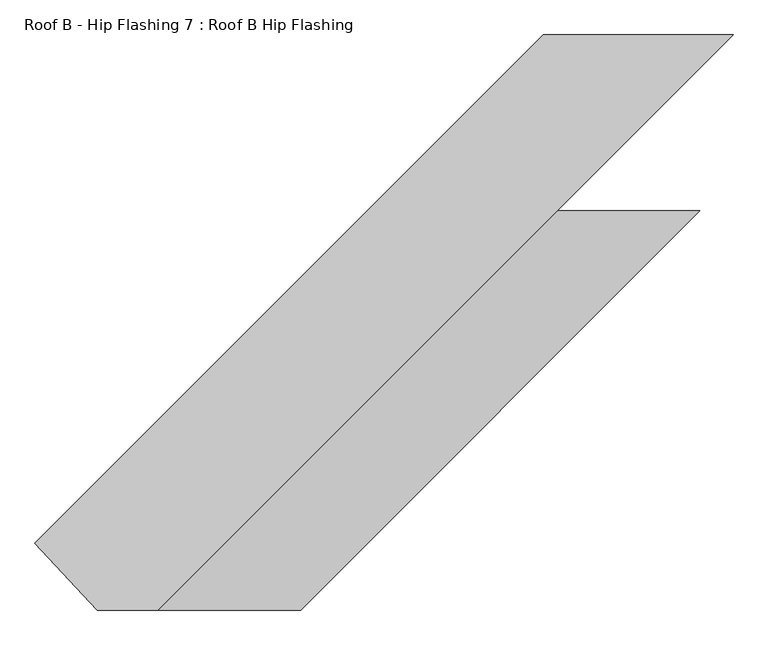
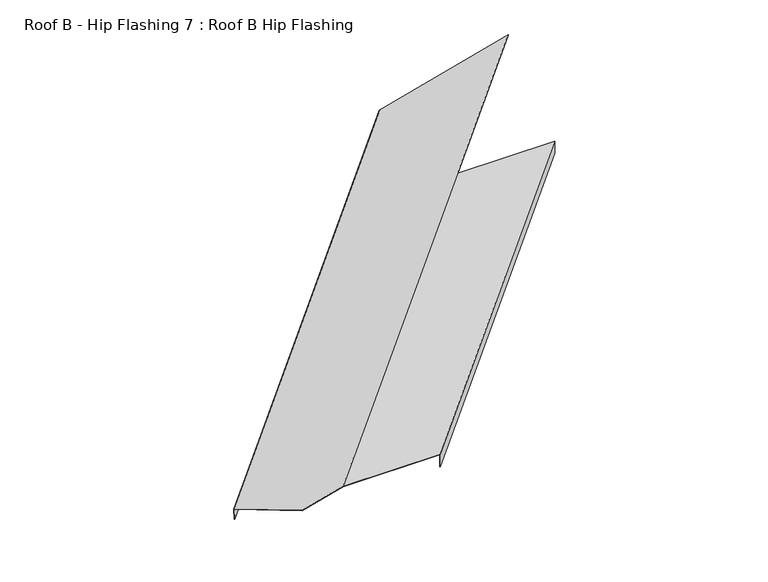
"""IFC4 building model written with IfcOpenShell, lengths in millimetres: proxy geometry, Roof B - Hip Flashing 7 : Roof B Hip Flashing."""

from ifc_helpers import new_model, si_unit, origin, place, context, project, spatial, faceted_brep, source, transform, mapped, element, save


def roof_b_hip_flashing_7_roof_b_hip_flashing_9b15dd72(model_context):
    return source(origin(), model_context, "Body", "Brep", [
        faceted_brep([(44387.4191087, -4107.2173158, 3218.0023302), (44393.1864222, -4101.4500024, 3174.9545168), (44394.317793, -4102.5813732, 3174.9545168), (44388.7255033, -4108.173663, 3216.6959357), (44535.4628149, -4265.4462395, 3256.0140798), (44535.0487044, -4265.4462395, 3257.5595611), (45590.1765594, -2904.4598651, 3540.2802178), (45590.1765594, -2904.4598651, 3495.6870574), (44678.703301, -4265.4462395, 3296.0516943), (45623.0204559, -3321.1290846, 3549.0807133), (46039.6969965, -2904.467712, 3660.7288559), (45016.984273, -4265.4462395, 3296.0516943), (45961.3014279, -3321.1290846, 3549.0807133), (45016.984273, -4265.4462395, 3250.2511023), (45961.3014279, -3321.1290846, 3503.2801213), (45014.7215313, -4265.4462395, 3249.9479524), (45959.0386862, -3321.1290846, 3502.9769714), (45592.4393011, -2904.4598651, 3495.9902073), (45014.7215313, -4265.4462395, 3294.3952524), (45959.0386862, -3321.1290846, 3547.4242715), (44678.703301, -4265.4462395, 3294.3952524), (45623.0204559, -3321.1290846, 3547.4242715), (45592.4393011, -2904.4598651, 3539.2300757), (46039.6896754, -2904.4598651, 3659.0704523)], [[[0, 1, 2, 3, 4, 5]], [[1, 0, 6, 7]], [[0, 5, 8, 9, 10, 6]], [[8, 11, 12, 9]], [[11, 13, 14, 12]], [[13, 15, 16, 14]], [[2, 1, 7, 17]], [[15, 18, 19, 16]], [[18, 20, 21, 19]], [[4, 3, 22, 23, 21, 20]], [[3, 2, 17, 22]], [[5, 4, 20, 18, 15, 13, 11, 8]], [[7, 6, 10, 23, 22, 17]], [[9, 21, 23, 10]], [[21, 9, 12, 14, 16, 19]]]),
    ])


if __name__ == "__main__":
    model = new_model("IFC4")
    model_context = context("Model", 3, world=origin())
    ifc_project = project(units=[si_unit("LENGTHUNIT", "METRE", prefix="MILLI")], contexts=[model_context])
    site = spatial("IfcSite", under=ifc_project)
    building = spatial("IfcBuilding", under=site)
    placement = place(None, origin())
    roof_b_hip_flashing_7_roof_b_hip_flashing_shape = roof_b_hip_flashing_7_roof_b_hip_flashing_9b15dd72(model_context)
    element("IfcBuildingElementProxy", 1, Name="Roof B - Hip Flashing 7 : Roof B Hip Flashing", ObjectType="Roof B - Hip Flashing 7 : Roof B Hip Flashing", at=placement, inside=building, context=model_context, shape_type="MappedRepresentation", body=[
        mapped(roof_b_hip_flashing_7_roof_b_hip_flashing_shape, transform((0.0, 0.0, 0.0), x_axis=(1.0, 0.0, 0.0), y_axis=(0.0, 1.0, 0.0), z_axis=(0.0, 0.0, 1.0))),
    ])
    save(model, "model.ifc")
